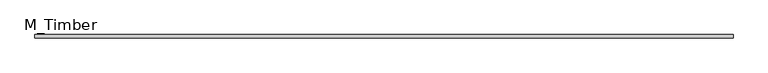
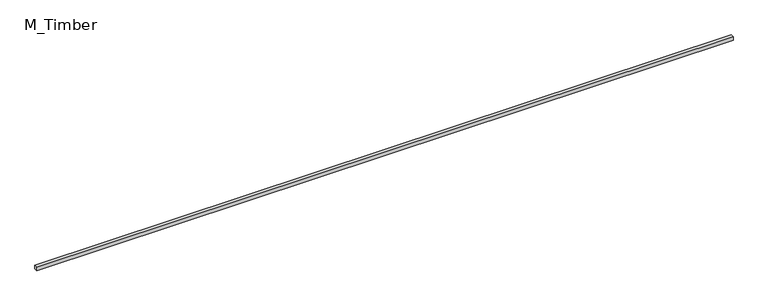
"""IFC4 building model written with IfcOpenShell, lengths in millimetres: beam geometry, M_Timber."""

from ifc_helpers import new_model, si_unit, frame, origin, place, context, project, spatial, polyline, outline, extrude, source, transform, mapped, element, save


def m_timber_48bd7cb7(model_context):
    return source(origin(), model_context, "Body", "SweptSolid", [
        extrude(outline(polyline([(4083.9088645, 20.0), (4083.9088645, -20.0), (-4083.9088645, -20.0), (-4083.9088645, 20.0), (4083.9088645, 20.0)])), frame((0.0, 0.0, -20.0), z_axis=(0.0, 0.0, 1.0), x_axis=(1.0, 0.0, 0.0)), (0.0, 0.0, 1.0), 40.0),
    ])


if __name__ == "__main__":
    model = new_model("IFC4")
    model_context = context("Model", 3, world=origin())
    ifc_project = project(units=[si_unit("LENGTHUNIT", "METRE", prefix="MILLI")], contexts=[model_context])
    site = spatial("IfcSite", under=ifc_project)
    building = spatial("IfcBuilding", under=site)
    placement = place(None, origin())
    m_timber_shape = m_timber_48bd7cb7(model_context)
    element("IfcBeam", 1, ObjectType="M_Timber", at=placement, inside=building, context=model_context, shape_type="MappedRepresentation", body=[
        mapped(m_timber_shape, transform((0.0, 0.0, 0.0), x_axis=(1.0, 0.0, 0.0), y_axis=(0.0, 1.0, 0.0), z_axis=(0.0, 0.0, 1.0))),
    ])
    save(model, "model.ifc")
